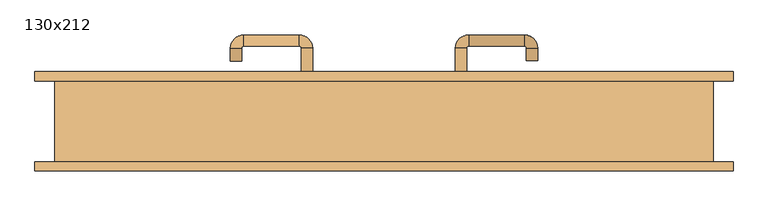
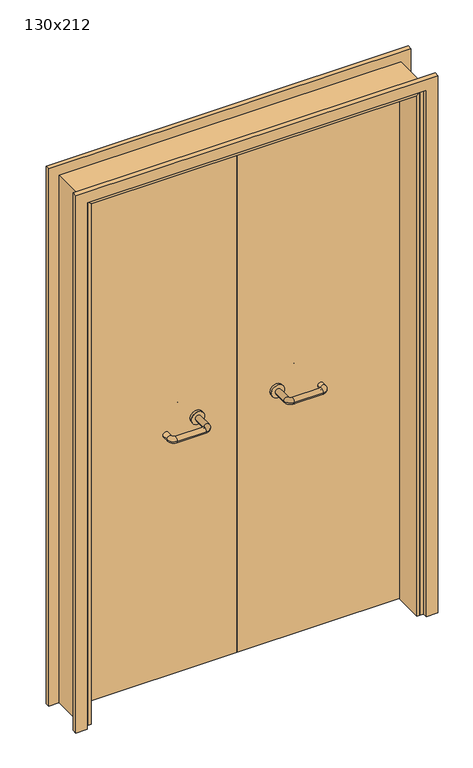
"""IFC4 building model written with IfcOpenShell, lengths in millimetres: door geometry, 130x212."""

from ifc_helpers import new_model, si_unit, point, frame, frame_2d, origin, place, context, project, spatial, polyline, circle_curve, ellipse_curve, trimmed, segment, composite_curve, outline, extrude, faceted_brep, source, transform, mapped, element, save
from ifc_brep_helpers import plane_surface, cylinder_surface, revolved_surface, advanced_brep


def door_130x212_565fbb08(model_context):
    return source(origin(), model_context, "Body", "SolidModel", [
        faceted_brep([(-620.0, 33.0, 0.0), (-620.0, -79.0, 0.0), (-630.0, -79.0, 0.0), (-630.0, 33.0, 0.0), (-620.0, 33.0, 2090.0), (-620.0, -79.0, 2090.0), (-630.0, -79.0, 2100.0), (-630.0, 33.0, 2100.0), (620.0, 33.0, 0.0), (630.0, 33.0, 0.0), (630.0, -79.0, 0.0), (620.0, -79.0, 0.0), (620.0, 33.0, 2090.0), (630.0, 33.0, 2100.0), (630.0, -79.0, 2100.0), (620.0, -79.0, 2090.0)], [[[0, 1, 2, 3]], [[1, 0, 4, 5]], [[2, 1, 5, 6]], [[3, 2, 6, 7]], [[0, 3, 7, 4]], [[8, 9, 10, 11]], [[12, 13, 9, 8]], [[13, 14, 10, 9]], [[14, 15, 11, 10]], [[15, 12, 8, 11]], [[5, 4, 12, 15]], [[6, 5, 15, 14]], [[7, 6, 14, 13]], [[4, 7, 13, 12]]]),
        extrude(outline(polyline([(2159.0, 689.0), (2159.0, -689.0), (0.0, -689.0), (0.0, -645.0), (2115.0, -645.0), (2115.0, 645.0), (0.0, 645.0), (0.0, 689.0), (2159.0, 689.0)])), frame((0.0, 80.0, 0.0), z_axis=(0.0, 1.0, 0.0), x_axis=(0.0, 0.0, 1.0)), (0.0, 0.0, 1.0), 18.0),
        extrude(outline(polyline([(2159.0, -689.0), (0.0, -689.0), (0.0, -645.0), (2115.0, -645.0), (2115.0, 645.0), (0.0, 645.0), (0.0, 689.0), (2159.0, 689.0), (2159.0, -689.0)])), frame((0.0, -98.0, 0.0), z_axis=(0.0, 1.0, 0.0), x_axis=(0.0, 0.0, 1.0)), (0.0, 0.0, 1.0), 18.0),
        extrude(outline(polyline([(2120.0, -650.0), (0.0, -650.0), (0.0, -630.0), (2100.0, -630.0), (2100.0, 630.0), (0.0, 630.0), (0.0, 650.0), (2120.0, 650.0), (2120.0, -650.0)])), frame((0.0, -79.0, 0.0), z_axis=(0.0, 1.0, 0.0), x_axis=(0.0, 0.0, 1.0)), (0.0, 0.0, 1.0), 159.0),
        advanced_brep(
        [(140.99898, 26.0, 1003.0), (162.99898, 26.0, 1003.0), (140.99898, -29.3525369, 1003.0), (162.99898, -29.3525369, 1003.0), (166.99898, -33.3525369, 1003.0), (166.99898, -55.3525369, 1003.0), (276.99898, -55.3525369, 1003.0), (276.99898, -33.3525369, 1003.0), (280.99898, -29.3525369, 1003.0), (302.99898, -29.3525369, 1003.0), (302.99898, -12.0, 1003.0), (280.99898, -12.0, 1003.0)],
        [
            (0, 1, circle_curve(frame((151.99898, 26.0, 1003.0), z_axis=(0.0, 1.0, 0.0), x_axis=(1.0, 0.0, 0.0)), 11.0)),
            (1, 0, circle_curve(frame((151.99898, 26.0, 1003.0), z_axis=(0.0, 1.0, 0.0), x_axis=(1.0, 0.0, 0.0)), 11.0)),
            (0, 2),
            (2, 3, circle_curve(frame((151.99898, -29.3525369, 1003.0), z_axis=(0.0, 1.0, 0.0), x_axis=(1.0, 0.0, 0.0)), 11.0)),
            (3, 1),
            (3, 2, circle_curve(frame((151.99898, -29.3525369, 1003.0), z_axis=(0.0, 1.0, 0.0), x_axis=(1.0, 0.0, 0.0)), 11.0)),
            (4, 3, circle_curve(frame((166.99898, -29.3525369, 1003.0), z_axis=(0.0, 0.0, -1.0), x_axis=(-1.0, 0.0, 0.0)), 4.0)),
            (2, 5, circle_curve(frame((166.99898, -29.3525369, 1003.0), z_axis=(0.0, 0.0, 1.0), x_axis=(-1.0, 0.0, 0.0)), 26.0)),
            (5, 4, circle_curve(frame((166.99898, -44.3525369, 1003.0), z_axis=(-1.0, 0.0, 0.0), x_axis=(0.0, 1.0, 0.0)), 11.0)),
            (4, 5, circle_curve(frame((166.99898, -44.3525369, 1003.0), z_axis=(-1.0, 0.0, 0.0), x_axis=(0.0, 1.0, 0.0)), 11.0)),
            (5, 6),
            (6, 7, circle_curve(frame((276.99898, -44.3525369, 1003.0), z_axis=(-1.0, 0.0, 0.0), x_axis=(0.0, 1.0, 0.0)), 11.0)),
            (7, 4),
            (7, 6, circle_curve(frame((276.99898, -44.3525369, 1003.0), z_axis=(-1.0, 0.0, 0.0), x_axis=(0.0, 1.0, 0.0)), 11.0)),
            (8, 7, circle_curve(frame((276.99898, -29.3525369, 1003.0), z_axis=(0.0, 0.0, -1.0), x_axis=(0.0, -1.0, 0.0)), 4.0)),
            (6, 9, circle_curve(frame((276.99898, -29.3525369, 1003.0), z_axis=(0.0, 0.0, 1.0), x_axis=(0.0, -1.0, 0.0)), 26.0)),
            (9, 8, circle_curve(frame((291.99898, -29.3525369, 1003.0), z_axis=(0.0, -1.0, 0.0), x_axis=(-1.0, 0.0, 0.0)), 11.0)),
            (8, 9, circle_curve(frame((291.99898, -29.3525369, 1003.0), z_axis=(0.0, -1.0, 0.0), x_axis=(-1.0, 0.0, 0.0)), 11.0)),
            (10, 11, circle_curve(frame((291.99898, -12.0, 1003.0), z_axis=(0.0, 1.0, 0.0), x_axis=(-1.0, 0.0, 0.0)), 11.0)),
            (11, 10, circle_curve(frame((291.99898, -12.0, 1003.0), z_axis=(0.0, 1.0, 0.0), x_axis=(-1.0, 0.0, 0.0)), 11.0)),
            (9, 10),
            (11, 8),
        ],
        [
            plane_surface(frame((140.99898, 26.0, 1003.0), z_axis=(0.0, 1.0, 0.0), x_axis=(0.0, 0.0, -1.0))),
            cylinder_surface(frame((151.99898, 26.0, 1003.0), z_axis=(0.0, 1.0, 0.0), x_axis=(1.0, 0.0, 0.0)), 11.0),
            revolved_surface(trimmed(ellipse_curve(frame((151.99898, -29.3525369, 1003.0), z_axis=(0.0, 1.0, 0.0), x_axis=(1.0, 0.0, 0.0)), 11.0, 11.0), [point((140.99898, -29.3525369, 1003.0))], [point((162.99898, -29.3525369, 1003.0))], True, "CARTESIAN"), (166.99898, -29.3525369, 1003.0), (0.0, 0.0, 1.0)),
            revolved_surface(trimmed(ellipse_curve(frame((151.99898, -29.3525369, 1003.0), z_axis=(0.0, 1.0, 0.0), x_axis=(1.0, 0.0, 0.0)), 11.0, 11.0), [point((162.99898, -29.3525369, 1003.0))], [point((140.99898, -29.3525369, 1003.0))], True, "CARTESIAN"), (166.99898, -29.3525369, 1003.0), (0.0, 0.0, 1.0)),
            cylinder_surface(frame((166.99898, -44.3525369, 1003.0), z_axis=(-1.0, 0.0, 0.0), x_axis=(0.0, 1.0, 0.0)), 11.0),
            revolved_surface(trimmed(ellipse_curve(frame((276.99898, -44.3525369, 1003.0), z_axis=(-1.0, 0.0, 0.0), x_axis=(0.0, 1.0, 0.0)), 11.0, 11.0), [point((276.99898, -55.3525369, 1003.0))], [point((276.99898, -33.3525369, 1003.0))], True, "CARTESIAN"), (276.99898, -29.3525369, 1003.0), (0.0, 0.0, 1.0)),
            revolved_surface(trimmed(ellipse_curve(frame((276.99898, -44.3525369, 1003.0), z_axis=(-1.0, 0.0, 0.0), x_axis=(0.0, 1.0, 0.0)), 11.0, 11.0), [point((276.99898, -33.3525369, 1003.0))], [point((276.99898, -55.3525369, 1003.0))], True, "CARTESIAN"), (276.99898, -29.3525369, 1003.0), (0.0, 0.0, 1.0)),
            plane_surface(frame((280.99898, -12.0, 1003.0), z_axis=(0.0, 1.0, 0.0), x_axis=(0.0, 0.0, 1.0))),
            cylinder_surface(frame((291.99898, -29.3525369, 1003.0), z_axis=(0.0, -1.0, 0.0), x_axis=(-1.0, 0.0, 0.0)), 11.0),
        ],
        [
            (0, [[1, 2]]),
            (1, [[-1, 3, 4, 5]]),
            (1, [[-2, -5, 6, -3]]),
            (2, [[7, -4, 8, 9]]),
            (3, [[-8, -6, -7, 10]]),
            (4, [[-9, 11, 12, 13]]),
            (4, [[-10, -13, 14, -11]]),
            (5, [[15, -12, 16, 17]]),
            (6, [[-16, -14, -15, 18]]),
            (7, [[19, 20]]),
            (8, [[-17, 21, -20, 22]]),
            (8, [[-18, -22, -19, -21]]),
        ],
    ),
        extrude(outline(composite_curve([segment(trimmed(circle_curve(frame_2d((1003.0, 151.99898)), 25.0), [point((1003.0, 126.99898))], [point((1003.0, 176.99898))], False, "CARTESIAN"), True, "CONTINUOUS"), segment(trimmed(circle_curve(frame_2d((1003.0, 151.99898)), 25.0), [point((1003.0, 176.99898))], [point((1003.0, 126.99898))], False, "CARTESIAN"), True, "CONTINUOUS")], self_intersect=False)), frame((0.0, 26.0, 0.0), z_axis=(0.0, 1.0, 0.0), x_axis=(0.0, 0.0, 1.0)), (0.0, 0.0, 1.0), 10.0),
        advanced_brep(
        [(162.99898, 90.0, 1003.0), (140.99898, 90.0, 1003.0), (162.99898, 145.0, 1003.0), (140.99898, 145.0, 1003.0), (166.99898, 171.0, 1003.0), (166.99898, 149.0, 1003.0), (276.99898, 149.0, 1003.0), (276.99898, 171.0, 1003.0), (302.99898, 145.0, 1003.0), (280.99898, 145.0, 1003.0), (280.99898, 120.0, 1003.0), (302.99898, 120.0, 1003.0)],
        [
            (0, 1, circle_curve(frame((151.99898, 90.0, 1003.0), z_axis=(0.0, -1.0, 0.0), x_axis=(-1.0, 0.0, 0.0)), 11.0)),
            (1, 0, circle_curve(frame((151.99898, 90.0, 1003.0), z_axis=(0.0, -1.0, 0.0), x_axis=(-1.0, 0.0, 0.0)), 11.0)),
            (0, 2),
            (2, 3, circle_curve(frame((151.99898, 145.0, 1003.0), z_axis=(0.0, -1.0, 0.0), x_axis=(-1.0, 0.0, 0.0)), 11.0)),
            (3, 1),
            (3, 2, circle_curve(frame((151.99898, 145.0, 1003.0), z_axis=(0.0, -1.0, 0.0), x_axis=(-1.0, 0.0, 0.0)), 11.0)),
            (4, 3, circle_curve(frame((166.99898, 145.0, 1003.0), z_axis=(0.0, 0.0, 1.0), x_axis=(-1.0, 0.0, 0.0)), 26.0)),
            (2, 5, circle_curve(frame((166.99898, 145.0, 1003.0), z_axis=(0.0, 0.0, -1.0), x_axis=(-1.0, 0.0, 0.0)), 4.0)),
            (5, 4, circle_curve(frame((166.99898, 160.0, 1003.0), z_axis=(-1.0, 0.0, 0.0), x_axis=(0.0, 1.0, 0.0)), 11.0)),
            (4, 5, circle_curve(frame((166.99898, 160.0, 1003.0), z_axis=(-1.0, 0.0, 0.0), x_axis=(0.0, 1.0, 0.0)), 11.0)),
            (5, 6),
            (6, 7, circle_curve(frame((276.99898, 160.0, 1003.0), z_axis=(-1.0, 0.0, 0.0), x_axis=(0.0, 1.0, 0.0)), 11.0)),
            (7, 4),
            (7, 6, circle_curve(frame((276.99898, 160.0, 1003.0), z_axis=(-1.0, 0.0, 0.0), x_axis=(0.0, 1.0, 0.0)), 11.0)),
            (8, 7, circle_curve(frame((276.99898, 145.0, 1003.0), z_axis=(0.0, 0.0, 1.0), x_axis=(0.0, 1.0, 0.0)), 26.0)),
            (6, 9, circle_curve(frame((276.99898, 145.0, 1003.0), z_axis=(0.0, 0.0, -1.0), x_axis=(0.0, 1.0, 0.0)), 4.0)),
            (9, 8, circle_curve(frame((291.99898, 145.0, 1003.0), z_axis=(0.0, 1.0, 0.0), x_axis=(1.0, 0.0, 0.0)), 11.0)),
            (8, 9, circle_curve(frame((291.99898, 145.0, 1003.0), z_axis=(0.0, 1.0, 0.0), x_axis=(1.0, 0.0, 0.0)), 11.0)),
            (10, 11, circle_curve(frame((291.99898, 120.0, 1003.0), z_axis=(0.0, -1.0, 0.0), x_axis=(1.0, 0.0, 0.0)), 11.0)),
            (11, 10, circle_curve(frame((291.99898, 120.0, 1003.0), z_axis=(0.0, -1.0, 0.0), x_axis=(1.0, 0.0, 0.0)), 11.0)),
            (9, 10),
            (11, 8),
        ],
        [
            plane_surface(frame((140.99898, 90.0, 1003.0), z_axis=(0.0, -1.0, 0.0), x_axis=(0.0, 0.0, 1.0))),
            cylinder_surface(frame((151.99898, 90.0, 1003.0), z_axis=(0.0, -1.0, 0.0), x_axis=(-1.0, 0.0, 0.0)), 11.0),
            revolved_surface(trimmed(ellipse_curve(frame((151.99898, 145.0, 1003.0), z_axis=(0.0, -1.0, 0.0), x_axis=(-1.0, 0.0, 0.0)), 11.0, 11.0), [point((162.99898, 145.0, 1003.0))], [point((140.99898, 145.0, 1003.0))], True, "CARTESIAN"), (166.99898, 145.0, 1003.0), (0.0, 0.0, -1.0)),
            revolved_surface(trimmed(ellipse_curve(frame((151.99898, 145.0, 1003.0), z_axis=(0.0, -1.0, 0.0), x_axis=(-1.0, 0.0, 0.0)), 11.0, 11.0), [point((140.99898, 145.0, 1003.0))], [point((162.99898, 145.0, 1003.0))], True, "CARTESIAN"), (166.99898, 145.0, 1003.0), (0.0, 0.0, -1.0)),
            cylinder_surface(frame((166.99898, 160.0, 1003.0), z_axis=(-1.0, 0.0, 0.0), x_axis=(0.0, 1.0, 0.0)), 11.0),
            revolved_surface(trimmed(ellipse_curve(frame((276.99898, 160.0, 1003.0), z_axis=(-1.0, 0.0, 0.0), x_axis=(0.0, 1.0, 0.0)), 11.0, 11.0), [point((276.99898, 149.0, 1003.0))], [point((276.99898, 171.0, 1003.0))], True, "CARTESIAN"), (276.99898, 145.0, 1003.0), (0.0, 0.0, -1.0)),
            revolved_surface(trimmed(ellipse_curve(frame((276.99898, 160.0, 1003.0), z_axis=(-1.0, 0.0, 0.0), x_axis=(0.0, 1.0, 0.0)), 11.0, 11.0), [point((276.99898, 171.0, 1003.0))], [point((276.99898, 149.0, 1003.0))], True, "CARTESIAN"), (276.99898, 145.0, 1003.0), (0.0, 0.0, -1.0)),
            plane_surface(frame((280.99898, 120.0, 1003.0), z_axis=(0.0, -1.0, 0.0), x_axis=(0.0, 0.0, -1.0))),
            cylinder_surface(frame((291.99898, 145.0, 1003.0), z_axis=(0.0, 1.0, 0.0), x_axis=(1.0, 0.0, 0.0)), 11.0),
        ],
        [
            (0, [[1, 2]]),
            (1, [[-1, 3, 4, 5]]),
            (1, [[-2, -5, 6, -3]]),
            (2, [[7, -4, 8, 9]]),
            (3, [[-8, -6, -7, 10]]),
            (4, [[-9, 11, 12, 13]]),
            (4, [[-10, -13, 14, -11]]),
            (5, [[15, -12, 16, 17]]),
            (6, [[-16, -14, -15, 18]]),
            (7, [[19, 20]]),
            (8, [[-17, 21, -20, 22]]),
            (8, [[-18, -22, -19, -21]]),
        ],
    ),
        extrude(outline(composite_curve([segment(trimmed(circle_curve(frame_2d((1003.0, 151.99898)), 25.0), [point((1003.0, 176.99898))], [point((1003.0, 126.99898))], False, "CARTESIAN"), True, "CONTINUOUS"), segment(trimmed(circle_curve(frame_2d((1003.0, 151.99898)), 25.0), [point((1003.0, 126.99898))], [point((1003.0, 176.99898))], False, "CARTESIAN"), True, "CONTINUOUS")], self_intersect=False)), frame((0.0, 80.0, 0.0), z_axis=(0.0, 1.0, 0.0), x_axis=(0.0, 0.0, 1.0)), (0.0, 0.0, 1.0), 10.0),
        advanced_brep(
        [(-162.99898, 25.6886121, 1003.0), (-140.99898, 25.6886121, 1003.0), (-162.99898, -29.7220447, 1003.0), (-140.99898, -29.7220447, 1003.0), (-166.99898, -55.7220447, 1003.0), (-166.99898, -33.7220447, 1003.0), (-276.99898, -33.7220447, 1003.0), (-276.99898, -55.7220447, 1003.0), (-302.99898, -29.7220447, 1003.0), (-280.99898, -29.7220447, 1003.0), (-280.99898, -4.7220447, 1003.0), (-302.99898, -4.7220447, 1003.0)],
        [
            (0, 1, circle_curve(frame((-151.99898, 25.6886121, 1003.0), z_axis=(0.0, 1.0, 0.0), x_axis=(1.0, 0.0, 0.0)), 11.0)),
            (1, 0, circle_curve(frame((-151.99898, 25.6886121, 1003.0), z_axis=(0.0, 1.0, 0.0), x_axis=(1.0, 0.0, 0.0)), 11.0)),
            (0, 2),
            (2, 3, circle_curve(frame((-151.99898, -29.7220447, 1003.0), z_axis=(0.0, 1.0, 0.0), x_axis=(1.0, 0.0, 0.0)), 11.0)),
            (3, 1),
            (3, 2, circle_curve(frame((-151.99898, -29.7220447, 1003.0), z_axis=(0.0, 1.0, 0.0), x_axis=(1.0, 0.0, 0.0)), 11.0)),
            (4, 3, circle_curve(frame((-166.99898, -29.7220447, 1003.0), z_axis=(0.0, 0.0, 1.0), x_axis=(1.0, 0.0, 0.0)), 26.0)),
            (2, 5, circle_curve(frame((-166.99898, -29.7220447, 1003.0), z_axis=(0.0, 0.0, -1.0), x_axis=(1.0, 0.0, 0.0)), 4.0)),
            (5, 4, circle_curve(frame((-166.99898, -44.7220447, 1003.0), z_axis=(1.0, 0.0, 0.0), x_axis=(0.0, -1.0, 0.0)), 11.0)),
            (4, 5, circle_curve(frame((-166.99898, -44.7220447, 1003.0), z_axis=(1.0, 0.0, 0.0), x_axis=(0.0, -1.0, 0.0)), 11.0)),
            (5, 6),
            (6, 7, circle_curve(frame((-276.99898, -44.7220447, 1003.0), z_axis=(1.0, 0.0, 0.0), x_axis=(0.0, -1.0, 0.0)), 11.0)),
            (7, 4),
            (7, 6, circle_curve(frame((-276.99898, -44.7220447, 1003.0), z_axis=(1.0, 0.0, 0.0), x_axis=(0.0, -1.0, 0.0)), 11.0)),
            (8, 7, circle_curve(frame((-276.99898, -29.7220447, 1003.0), z_axis=(0.0, 0.0, 1.0), x_axis=(0.0, -1.0, 0.0)), 26.0)),
            (6, 9, circle_curve(frame((-276.99898, -29.7220447, 1003.0), z_axis=(0.0, 0.0, -1.0), x_axis=(0.0, -1.0, 0.0)), 4.0)),
            (9, 8, circle_curve(frame((-291.99898, -29.7220447, 1003.0), z_axis=(0.0, -1.0, 0.0), x_axis=(-1.0, 0.0, 0.0)), 11.0)),
            (8, 9, circle_curve(frame((-291.99898, -29.7220447, 1003.0), z_axis=(0.0, -1.0, 0.0), x_axis=(-1.0, 0.0, 0.0)), 11.0)),
            (10, 11, circle_curve(frame((-291.99898, -4.7220447, 1003.0), z_axis=(0.0, 1.0, 0.0), x_axis=(-1.0, 0.0, 0.0)), 11.0)),
            (11, 10, circle_curve(frame((-291.99898, -4.7220447, 1003.0), z_axis=(0.0, 1.0, 0.0), x_axis=(-1.0, 0.0, 0.0)), 11.0)),
            (9, 10),
            (11, 8),
        ],
        [
            plane_surface(frame((-162.99898, 25.6886121, 1003.0), z_axis=(0.0, 1.0, 0.0), x_axis=(0.0, 0.0, -1.0))),
            cylinder_surface(frame((-151.99898, 25.6886121, 1003.0), z_axis=(0.0, 1.0, 0.0), x_axis=(1.0, 0.0, 0.0)), 11.0),
            revolved_surface(trimmed(ellipse_curve(frame((-151.99898, -29.7220447, 1003.0), z_axis=(0.0, 1.0, 0.0), x_axis=(1.0, 0.0, 0.0)), 11.0, 11.0), [point((-162.99898, -29.7220447, 1003.0))], [point((-140.99898, -29.7220447, 1003.0))], True, "CARTESIAN"), (-166.99898, -29.7220447, 1003.0), (0.0, 0.0, -1.0)),
            revolved_surface(trimmed(ellipse_curve(frame((-151.99898, -29.7220447, 1003.0), z_axis=(0.0, 1.0, 0.0), x_axis=(1.0, 0.0, 0.0)), 11.0, 11.0), [point((-140.99898, -29.7220447, 1003.0))], [point((-162.99898, -29.7220447, 1003.0))], True, "CARTESIAN"), (-166.99898, -29.7220447, 1003.0), (0.0, 0.0, -1.0)),
            cylinder_surface(frame((-166.99898, -44.7220447, 1003.0), z_axis=(1.0, 0.0, 0.0), x_axis=(0.0, -1.0, 0.0)), 11.0),
            revolved_surface(trimmed(ellipse_curve(frame((-276.99898, -44.7220447, 1003.0), z_axis=(1.0, 0.0, 0.0), x_axis=(0.0, -1.0, 0.0)), 11.0, 11.0), [point((-276.99898, -33.7220447, 1003.0))], [point((-276.99898, -55.7220447, 1003.0))], True, "CARTESIAN"), (-276.99898, -29.7220447, 1003.0), (0.0, 0.0, -1.0)),
            revolved_surface(trimmed(ellipse_curve(frame((-276.99898, -44.7220447, 1003.0), z_axis=(1.0, 0.0, 0.0), x_axis=(0.0, -1.0, 0.0)), 11.0, 11.0), [point((-276.99898, -55.7220447, 1003.0))], [point((-276.99898, -33.7220447, 1003.0))], True, "CARTESIAN"), (-276.99898, -29.7220447, 1003.0), (0.0, 0.0, -1.0)),
            plane_surface(frame((-302.99898, -4.7220447, 1003.0), z_axis=(0.0, 1.0, 0.0), x_axis=(0.0, 0.0, 1.0))),
            cylinder_surface(frame((-291.99898, -29.7220447, 1003.0), z_axis=(0.0, -1.0, 0.0), x_axis=(-1.0, 0.0, 0.0)), 11.0),
        ],
        [
            (0, [[1, 2]]),
            (1, [[-1, 3, 4, 5]]),
            (1, [[-2, -5, 6, -3]]),
            (2, [[7, -4, 8, 9]]),
            (3, [[-8, -6, -7, 10]]),
            (4, [[-9, 11, 12, 13]]),
            (4, [[-10, -13, 14, -11]]),
            (5, [[15, -12, 16, 17]]),
            (6, [[-16, -14, -15, 18]]),
            (7, [[19, 20]]),
            (8, [[-17, 21, -20, 22]]),
            (8, [[-18, -22, -19, -21]]),
        ],
    ),
        extrude(outline(composite_curve([segment(trimmed(circle_curve(frame_2d((1003.0, -151.99898)), 25.0), [point((1003.0, -176.99898))], [point((1003.0, -126.99898))], False, "CARTESIAN"), True, "CONTINUOUS"), segment(trimmed(circle_curve(frame_2d((1003.0, -151.99898)), 25.0), [point((1003.0, -126.99898))], [point((1003.0, -176.99898))], False, "CARTESIAN"), True, "CONTINUOUS")], self_intersect=False)), frame((0.0, 25.6886121, 0.0), z_axis=(0.0, 1.0, 0.0), x_axis=(0.0, 0.0, 1.0)), (0.0, 0.0, 1.0), 10.3113879),
        advanced_brep(
        [(-140.99898, 89.5143417, 1003.0), (-162.99898, 89.5143417, 1003.0), (-140.99898, 144.6104656, 1003.0), (-162.99898, 144.6104656, 1003.0), (-166.99898, 148.6104656, 1003.0), (-166.99898, 170.6104656, 1003.0), (-276.99898, 170.6104656, 1003.0), (-276.99898, 148.6104656, 1003.0), (-280.99898, 144.6104656, 1003.0), (-302.99898, 144.6104656, 1003.0), (-302.99898, 119.6104656, 1003.0), (-280.99898, 119.6104656, 1003.0)],
        [
            (0, 1, circle_curve(frame((-151.99898, 89.5143417, 1003.0), z_axis=(0.0, -1.0, 0.0), x_axis=(-1.0, 0.0, 0.0)), 11.0)),
            (1, 0, circle_curve(frame((-151.99898, 89.5143417, 1003.0), z_axis=(0.0, -1.0, 0.0), x_axis=(-1.0, 0.0, 0.0)), 11.0)),
            (0, 2),
            (2, 3, circle_curve(frame((-151.99898, 144.6104656, 1003.0), z_axis=(0.0, -1.0, 0.0), x_axis=(-1.0, 0.0, 0.0)), 11.0)),
            (3, 1),
            (3, 2, circle_curve(frame((-151.99898, 144.6104656, 1003.0), z_axis=(0.0, -1.0, 0.0), x_axis=(-1.0, 0.0, 0.0)), 11.0)),
            (4, 3, circle_curve(frame((-166.99898, 144.6104656, 1003.0), z_axis=(0.0, 0.0, -1.0), x_axis=(1.0, 0.0, 0.0)), 4.0)),
            (2, 5, circle_curve(frame((-166.99898, 144.6104656, 1003.0), z_axis=(0.0, 0.0, 1.0), x_axis=(1.0, 0.0, 0.0)), 26.0)),
            (5, 4, circle_curve(frame((-166.99898, 159.6104656, 1003.0), z_axis=(1.0, 0.0, 0.0), x_axis=(0.0, -1.0, 0.0)), 11.0)),
            (4, 5, circle_curve(frame((-166.99898, 159.6104656, 1003.0), z_axis=(1.0, 0.0, 0.0), x_axis=(0.0, -1.0, 0.0)), 11.0)),
            (5, 6),
            (6, 7, circle_curve(frame((-276.99898, 159.6104656, 1003.0), z_axis=(1.0, 0.0, 0.0), x_axis=(0.0, -1.0, 0.0)), 11.0)),
            (7, 4),
            (7, 6, circle_curve(frame((-276.99898, 159.6104656, 1003.0), z_axis=(1.0, 0.0, 0.0), x_axis=(0.0, -1.0, 0.0)), 11.0)),
            (8, 7, circle_curve(frame((-276.99898, 144.6104656, 1003.0), z_axis=(0.0, 0.0, -1.0), x_axis=(0.0, 1.0, 0.0)), 4.0)),
            (6, 9, circle_curve(frame((-276.99898, 144.6104656, 1003.0), z_axis=(0.0, 0.0, 1.0), x_axis=(0.0, 1.0, 0.0)), 26.0)),
            (9, 8, circle_curve(frame((-291.99898, 144.6104656, 1003.0), z_axis=(0.0, 1.0, 0.0), x_axis=(1.0, 0.0, 0.0)), 11.0)),
            (8, 9, circle_curve(frame((-291.99898, 144.6104656, 1003.0), z_axis=(0.0, 1.0, 0.0), x_axis=(1.0, 0.0, 0.0)), 11.0)),
            (10, 11, circle_curve(frame((-291.99898, 119.6104656, 1003.0), z_axis=(0.0, -1.0, 0.0), x_axis=(1.0, 0.0, 0.0)), 11.0)),
            (11, 10, circle_curve(frame((-291.99898, 119.6104656, 1003.0), z_axis=(0.0, -1.0, 0.0), x_axis=(1.0, 0.0, 0.0)), 11.0)),
            (9, 10),
            (11, 8),
        ],
        [
            plane_surface(frame((-162.99898, 89.5143417, 1003.0), z_axis=(0.0, -1.0, 0.0), x_axis=(0.0, 0.0, 1.0))),
            cylinder_surface(frame((-151.99898, 89.5143417, 1003.0), z_axis=(0.0, -1.0, 0.0), x_axis=(-1.0, 0.0, 0.0)), 11.0),
            revolved_surface(trimmed(ellipse_curve(frame((-151.99898, 144.6104656, 1003.0), z_axis=(0.0, -1.0, 0.0), x_axis=(-1.0, 0.0, 0.0)), 11.0, 11.0), [point((-140.99898, 144.6104656, 1003.0))], [point((-162.99898, 144.6104656, 1003.0))], True, "CARTESIAN"), (-166.99898, 144.6104656, 1003.0), (0.0, 0.0, 1.0)),
            revolved_surface(trimmed(ellipse_curve(frame((-151.99898, 144.6104656, 1003.0), z_axis=(0.0, -1.0, 0.0), x_axis=(-1.0, 0.0, 0.0)), 11.0, 11.0), [point((-162.99898, 144.6104656, 1003.0))], [point((-140.99898, 144.6104656, 1003.0))], True, "CARTESIAN"), (-166.99898, 144.6104656, 1003.0), (0.0, 0.0, 1.0)),
            cylinder_surface(frame((-166.99898, 159.6104656, 1003.0), z_axis=(1.0, 0.0, 0.0), x_axis=(0.0, -1.0, 0.0)), 11.0),
            revolved_surface(trimmed(ellipse_curve(frame((-276.99898, 159.6104656, 1003.0), z_axis=(1.0, 0.0, 0.0), x_axis=(0.0, -1.0, 0.0)), 11.0, 11.0), [point((-276.99898, 170.6104656, 1003.0))], [point((-276.99898, 148.6104656, 1003.0))], True, "CARTESIAN"), (-276.99898, 144.6104656, 1003.0), (0.0, 0.0, 1.0)),
            revolved_surface(trimmed(ellipse_curve(frame((-276.99898, 159.6104656, 1003.0), z_axis=(1.0, 0.0, 0.0), x_axis=(0.0, -1.0, 0.0)), 11.0, 11.0), [point((-276.99898, 148.6104656, 1003.0))], [point((-276.99898, 170.6104656, 1003.0))], True, "CARTESIAN"), (-276.99898, 144.6104656, 1003.0), (0.0, 0.0, 1.0)),
            plane_surface(frame((-302.99898, 119.6104656, 1003.0), z_axis=(0.0, -1.0, 0.0), x_axis=(0.0, 0.0, -1.0))),
            cylinder_surface(frame((-291.99898, 144.6104656, 1003.0), z_axis=(0.0, 1.0, 0.0), x_axis=(1.0, 0.0, 0.0)), 11.0),
        ],
        [
            (0, [[1, 2]]),
            (1, [[-1, 3, 4, 5]]),
            (1, [[-2, -5, 6, -3]]),
            (2, [[7, -4, 8, 9]]),
            (3, [[-8, -6, -7, 10]]),
            (4, [[-9, 11, 12, 13]]),
            (4, [[-10, -13, 14, -11]]),
            (5, [[15, -12, 16, 17]]),
            (6, [[-16, -14, -15, 18]]),
            (7, [[19, 20]]),
            (8, [[-17, 21, -20, 22]]),
            (8, [[-18, -22, -19, -21]]),
        ],
    ),
        extrude(outline(composite_curve([segment(trimmed(circle_curve(frame_2d((1003.0, -151.99898)), 25.0), [point((1003.0, -126.99898))], [point((1003.0, -176.99898))], False, "CARTESIAN"), True, "CONTINUOUS"), segment(trimmed(circle_curve(frame_2d((1003.0, -151.99898)), 25.0), [point((1003.0, -176.99898))], [point((1003.0, -126.99898))], False, "CARTESIAN"), True, "CONTINUOUS")], self_intersect=False)), frame((0.0, 80.0, 0.0), z_axis=(0.0, 1.0, 0.0), x_axis=(0.0, 0.0, 1.0)), (0.0, 0.0, 1.0), 9.5143417),
        extrude(outline(polyline([(1.0739506, 36.0), (-627.0, 36.0), (-627.0, 80.0), (1.0739506, 80.0), (1.0739506, 36.0)])), frame((0.0, 0.0, 1.753223), z_axis=(0.0, 0.0, 1.0), x_axis=(1.0, 0.0, 0.0)), (0.0, 0.0, 1.0), 2098.246777),
        extrude(outline(polyline([(627.0, 36.0), (1.0739506, 36.0), (1.0739506, 80.0), (627.0, 80.0), (627.0, 36.0)])), frame((0.0, 0.0, 1.753223), z_axis=(0.0, 0.0, 1.0), x_axis=(1.0, 0.0, 0.0)), (0.0, 0.0, 1.0), 2098.246777),
    ])


if __name__ == "__main__":
    model = new_model("IFC4")
    model_context = context("Model", 3, world=origin())
    ifc_project = project(units=[si_unit("LENGTHUNIT", "METRE", prefix="MILLI")], contexts=[model_context])
    site = spatial("IfcSite", under=ifc_project)
    building = spatial("IfcBuilding", under=site)
    placement = place(None, origin())
    door_130x212_shape = door_130x212_565fbb08(model_context)
    element("IfcDoor", 1, ObjectType="130x212", at=placement, inside=building, context=model_context, shape_type="MappedRepresentation", body=[
        mapped(door_130x212_shape, transform((0.0, 0.0, 0.0), x_axis=(1.0, 0.0, 0.0), y_axis=(0.0, 1.0, 0.0), z_axis=(0.0, 0.0, 1.0))),
    ])
    save(model, "model.ifc")
